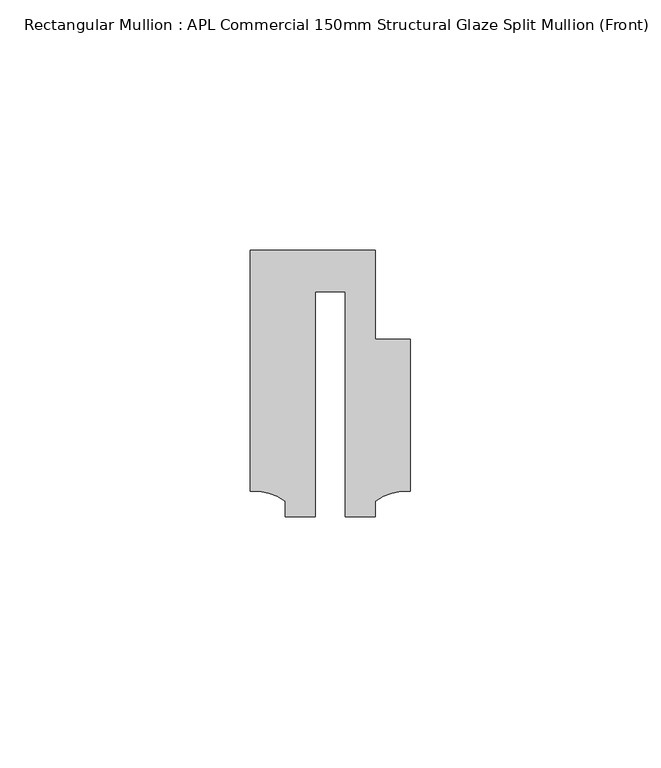
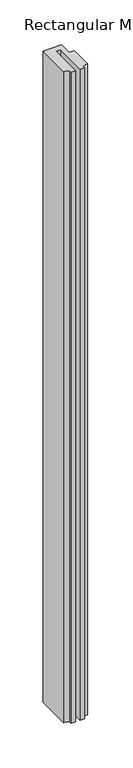
"""IFC4 building model written with IfcOpenShell, lengths in millimetres: member geometry, Rectangular Mullion : APL Commercial 150mm Structural Glaze Split Mullion (Front)."""

import ifcopenshell
import ifcopenshell.guid

model = None  # the IFC model being written
_history = None  # IfcOwnerHistory: only IFC2X3 demands one
_inside = {}  # id of a spatial element -> (the spatial element, [elements in it])
_under = {}  # id of a project, library or spatial element -> (it, [spatial elements below it])
_declared = {}  # id of a project -> (the project, [libraries it declares])
_typed = {}  # id of a type object -> (the type object, [elements of that type])
_made_of = {}  # id of a material, layer set ... -> (it, [elements and type objects made of it])


def new_model(schema):
    """Start an empty IFC model of exactly this schema.

    Asked for "IFC4X3", IfcOpenShell would pick the latest addendum, in which some entities
    have other attributes; the version numbers below select the first issue.
    IFC2X3 requires an IfcOwnerHistory on every rooted entity: one is made here for all.
    """
    global model, _history
    if schema == "IFC4X3":
        model = ifcopenshell.file(schema_version=(4, 3, 0, 0))
    else:
        model = ifcopenshell.file(schema=schema)
    _inside.clear()
    _under.clear()
    _declared.clear()
    _typed.clear()
    _made_of.clear()
    _history = None
    if model.schema == "IFC2X3":
        org = make("IfcOrganization", Name="unknown")
        user = make(
            "IfcPersonAndOrganization",
            ThePerson=make("IfcPerson", FamilyName="unknown"),
            TheOrganization=org,
        )
        app = make(
            "IfcApplication",
            ApplicationDeveloper=org,
            Version="unknown",
            ApplicationFullName="unknown",
            ApplicationIdentifier="unknown",
        )
        _history = make(
            "IfcOwnerHistory",
            OwningUser=user,
            OwningApplication=app,
            ChangeAction="ADDED",
            CreationDate=0,
        )
    return model


def make(cls, **values):
    """One entity of the class cls with the attributes given. An attribute that is None is left unset."""
    return model.create_entity(
        cls, **{name: value for name, value in values.items() if value is not None}
    )


def rooted(cls, **values):
    """An entity with a GlobalId (a new one), such as an element, a storey or a relation."""
    return make(cls, GlobalId=ifcopenshell.guid.new(), OwnerHistory=_history, **values)


def si_unit(unit_type, name, prefix=None):
    """IfcSIUnit, for example si_unit("LENGTHUNIT", "METRE", prefix="MILLI")."""
    return make("IfcSIUnit", UnitType=unit_type, Prefix=prefix, Name=name)


def assignment(units):
    """IfcUnitAssignment: the units of a project."""
    return None if units is None else make("IfcUnitAssignment", Units=units)


def point(xyz):
    """IfcCartesianPoint."""
    return None if xyz is None else make("IfcCartesianPoint", Coordinates=xyz)


def direction(xyz):
    """IfcDirection."""
    return None if xyz is None else make("IfcDirection", DirectionRatios=xyz)


def frame(location, z_axis=None, x_axis=None):
    """IfcAxis2Placement3D, a coordinate frame: its origin and axes. An axis left out is left unset."""
    return make(
        "IfcAxis2Placement3D",
        Location=point(location),
        Axis=direction(z_axis),
        RefDirection=direction(x_axis),
    )


def frame_2d(location, x_axis=None):
    """IfcAxis2Placement2D, a coordinate frame in the plane: its origin and x axis."""
    return make(
        "IfcAxis2Placement2D", Location=point(location), RefDirection=direction(x_axis)
    )


def origin():
    """The frame at (0, 0, 0) with its axes left unset."""
    return frame((0.0, 0.0, 0.0))


def place(relative_to, where):
    """IfcLocalPlacement: puts the frame where relative to a parent placement (None: the world)."""
    return make(
        "IfcLocalPlacement", PlacementRelTo=relative_to, RelativePlacement=where
    )


def context(
    kind, dimensions, precision=None, world=None, true_north=None, identifier=None
):
    """IfcGeometricRepresentationContext, for example the 3D "Model" context."""
    return make(
        "IfcGeometricRepresentationContext",
        ContextIdentifier=identifier,
        ContextType=kind,
        CoordinateSpaceDimension=dimensions,
        Precision=precision,
        WorldCoordinateSystem=world,
        TrueNorth=true_north,
    )


def project(units=None, contexts=None):
    """IfcProject with its units and contexts."""
    return rooted(
        "IfcProject",
        Name="project",
        RepresentationContexts=contexts,
        UnitsInContext=assignment(units),
    )


def spatial(cls, under=None, at=None, **own):
    """A site, building, storey or space (cls), placed at a placement, below another one or the project."""
    s = rooted(cls, ObjectPlacement=at, **own)
    if under is not None:
        _under.setdefault(under.id(), (under, []))[1].append(s)
    return s


def polyline(points):
    """IfcPolyline through the points."""
    return make("IfcPolyline", Points=[point(p) for p in points])


def circle_curve(where, radius):
    """IfcCircle in the frame where."""
    return make("IfcCircle", Position=where, Radius=radius)


def trimmed(basis, trim1, trim2, sense, master):
    """IfcTrimmedCurve: the piece of a basis curve between two trims."""
    return make(
        "IfcTrimmedCurve",
        BasisCurve=basis,
        Trim1=trim1,
        Trim2=trim2,
        SenseAgreement=sense,
        MasterRepresentation=master,
    )


def segment(curve, same_sense, transition):
    """IfcCompositeCurveSegment."""
    return make(
        "IfcCompositeCurveSegment",
        Transition=transition,
        SameSense=same_sense,
        ParentCurve=curve,
    )


def composite_curve(segments, self_intersect=None):
    """IfcCompositeCurve: segments joined end to end."""
    return make("IfcCompositeCurve", Segments=segments, SelfIntersect=self_intersect)


def outline(outer, holes=None, kind="AREA"):
    """IfcArbitraryClosedProfileDef: a profile drawn as a closed curve; with holes, ...WithVoids."""
    if holes is None:
        return make("IfcArbitraryClosedProfileDef", ProfileType=kind, OuterCurve=outer)
    return make(
        "IfcArbitraryProfileDefWithVoids",
        ProfileType=kind,
        OuterCurve=outer,
        InnerCurves=holes,
    )


def extrude(swept, where, along, depth):
    """IfcExtrudedAreaSolid: the profile swept, set in the frame where, extruded along a direction by depth."""
    return make(
        "IfcExtrudedAreaSolid",
        SweptArea=swept,
        Position=where,
        ExtrudedDirection=direction(along),
        Depth=depth,
    )


def shape(context_of_items, identifier, shape_type, items):
    """IfcShapeRepresentation: the items that make up one representation, for example the "Body"."""
    return make(
        "IfcShapeRepresentation",
        ContextOfItems=context_of_items,
        RepresentationIdentifier=identifier,
        RepresentationType=shape_type,
        Items=items,
    )


def source(mapping_origin, context_of_items, identifier, shape_type, items):
    """IfcRepresentationMap: a shape defined once, which mapped items show again and again."""
    return make(
        "IfcRepresentationMap",
        MappingOrigin=mapping_origin,
        MappedRepresentation=shape(context_of_items, identifier, shape_type, items),
    )


def transform(
    local_origin,
    x_axis=None,
    y_axis=None,
    z_axis=None,
    scale=None,
    scale2=None,
    scale3=None,
    uniform=True,
):
    """IfcCartesianTransformationOperator3D, or its non-uniform kind. x_axis, y_axis, z_axis: its Axis1, 2, 3."""
    if uniform:
        return make(
            "IfcCartesianTransformationOperator3D",
            Axis1=direction(x_axis),
            Axis2=direction(y_axis),
            LocalOrigin=point(local_origin),
            Scale=scale,
            Axis3=direction(z_axis),
        )
    return make(
        "IfcCartesianTransformationOperator3DnonUniform",
        Axis1=direction(x_axis),
        Axis2=direction(y_axis),
        LocalOrigin=point(local_origin),
        Scale=scale,
        Axis3=direction(z_axis),
        Scale2=scale2,
        Scale3=scale3,
    )


def mapped(mapping_source, mapping_target):
    """IfcMappedItem: shows the shape of a source again, moved by a transform."""
    return make(
        "IfcMappedItem", MappingSource=mapping_source, MappingTarget=mapping_target
    )


def made_of(thing, what):
    """Note that an element or type object is made of a material, layer set ...; save() writes the relation."""
    if what is not None:
        _made_of.setdefault(what.id(), (what, []))[1].append(thing)
    return thing


def element(
    cls,
    number,
    at=None,
    inside=None,
    cuts=None,
    type_object=None,
    material=None,
    context=None,
    identifier="Body",
    shape_type=None,
    held_by="IfcProductDefinitionShape",
    body=None,
    shapes=None,
    **own,
):
    """One element of the class cls, such as IfcWall. Its Tag is "e" and its number.

    at: its placement. inside: the storey or other place that contains it. cuts: it is an
    opening in that element (IfcRelVoidsElement). A single representation is given by context,
    identifier, shape_type and body (its items); several are given by shapes. held_by: the class
    of the entity that holds the representations. save() writes the other relations.
    """
    e = rooted(cls, Tag="e%d" % number, ObjectPlacement=at, **own)
    if body is not None:
        shapes = [shape(context, identifier, shape_type, body)]
    if shapes is not None:
        e.Representation = make(held_by, Representations=shapes)
    if inside is not None:
        _inside.setdefault(inside.id(), (inside, []))[1].append(e)
    if cuts is not None:
        rooted(
            "IfcRelVoidsElement", RelatingBuildingElement=cuts, RelatedOpeningElement=e
        )
    if type_object is not None:
        _typed.setdefault(type_object.id(), (type_object, []))[1].append(e)
    return made_of(e, material)


def aggregate(whole, parts):
    """IfcRelAggregates: a whole, such as a stair, and the parts it consists of."""
    return rooted("IfcRelAggregates", RelatingObject=whole, RelatedObjects=parts)


def save(model, path):
    """Write the relations noted so far, then the file.

    IfcRelAggregates (storeys below a building ...), IfcRelContainedInSpatialStructure (elements
    in a storey), IfcRelDefinesByType, IfcRelAssociatesMaterial and IfcRelDeclares: one each for
    every whole, place, type object, material and project.
    """
    for whole, parts in _under.values():
        aggregate(whole, parts)
    for where, things in _inside.values():
        rooted(
            "IfcRelContainedInSpatialStructure",
            RelatedElements=things,
            RelatingStructure=where,
        )
    for kind, things in _typed.values():
        rooted("IfcRelDefinesByType", RelatedObjects=things, RelatingType=kind)
    for what, things in _made_of.values():
        rooted("IfcRelAssociatesMaterial", RelatedObjects=things, RelatingMaterial=what)
    for by, libraries in _declared.values():
        rooted("IfcRelDeclares", RelatingContext=by, RelatedDefinitions=libraries)
    model.write(path)


def rectangular_mullion_apl_commercial_150mm_structural_glaze_fbb056ec(model_context):
    return source(origin(), model_context, "Body", "SweptSolid", [
        extrude(outline(composite_curve([segment(polyline([(15.9999391, 14.9953356), (15.9999391, -15.3837352)]), True, "CONTINUOUS"), segment(trimmed(circle_curve(frame_2d((15.1098019, -25.802169)), 10.4563907), [point((15.9999391, -15.3837352))], [point((8.9999842, -17.3165203))], True, "CARTESIAN"), True, "CONTINUOUS"), segment(polyline([(8.9999842, -17.3165203), (8.9999842, -20.5039877), (2.9999676, -20.5039877), (2.9999676, 24.5130805), (-2.9999659, 24.5130805), (-2.9999659, -20.5039877), (-8.9999842, -20.5039877), (-8.9999842, -17.3165203)]), True, "CONTINUOUS"), segment(trimmed(circle_curve(frame_2d((-15.1098019, -25.802169)), 10.4563907), [point((-8.9999842, -17.3165203))], [point((-15.9999391, -15.3837352))], True, "CARTESIAN"), True, "CONTINUOUS"), segment(polyline([(-15.9999391, -15.3837352), (-15.9999391, 32.7960123), (9.0, 32.7960123), (9.0, 14.9953356), (15.9999391, 14.9953356)]), True, "CONTINUOUS")], self_intersect=False)), frame((0.0, 0.0, -921.8333422), z_axis=(0.0, 0.0, 1.0), x_axis=(1.0, 0.0, 0.0)), (0.0, 0.0, 1.0), 921.8333422),
    ])


if __name__ == "__main__":
    model = new_model("IFC4")
    model_context = context("Model", 3, world=origin())
    ifc_project = project(units=[si_unit("LENGTHUNIT", "METRE", prefix="MILLI")], contexts=[model_context])
    site = spatial("IfcSite", under=ifc_project)
    building = spatial("IfcBuilding", under=site)
    placement = place(None, origin())
    rectangular_mullion_apl_commercial_150mm_structural_glaze_shape = rectangular_mullion_apl_commercial_150mm_structural_glaze_fbb056ec(model_context)
    element("IfcMember", 1, ObjectType="Rectangular Mullion : APL Commercial 150mm Structural Glaze Split Mullion (Front)", at=placement, inside=building, context=model_context, shape_type="MappedRepresentation", body=[
        mapped(rectangular_mullion_apl_commercial_150mm_structural_glaze_shape, transform((0.0, 0.0, 0.0), x_axis=(1.0, 0.0, 0.0), y_axis=(0.0, 1.0, 0.0), z_axis=(0.0, 0.0, 1.0))),
    ])
    save(model, "model.ifc")
